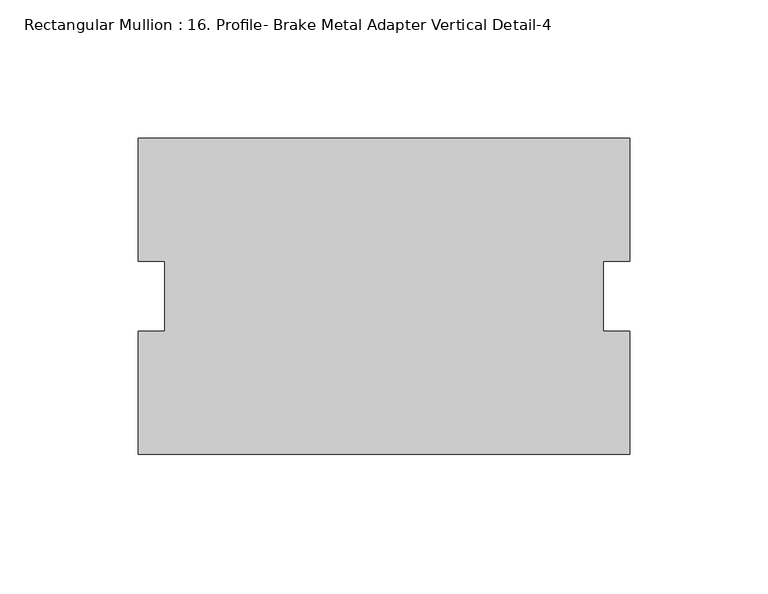
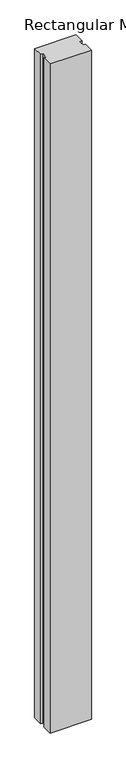
"""IFC4 building model written with IfcOpenShell, lengths in millimetres: member geometry, Rectangular Mullion : 16. Profile- Brake Metal Adapter Vertical Detail-4."""

from ifc_helpers import new_model, si_unit, frame, origin, place, context, project, spatial, polyline, outline, extrude, source, transform, mapped, element, save


def rectangular_mullion_16_profile_brake_metal_adapter_vertical_a9a593f2(model_context):
    return source(origin(), model_context, "Body", "SweptSolid", [
        extrude(outline(polyline([(88.9, -57.1389735), (-88.9, -57.1389735), (-88.9, -12.7438492), (-79.375, -12.7438492), (-79.375, 12.7438492), (-88.9, 12.7438492), (-88.9, 57.1611535), (88.9, 57.1611535), (88.9, 12.7438492), (79.375, 12.7438492), (79.375, -12.7438492), (88.9, -12.7438492), (88.9, -57.1389735)])), frame((0.0, 0.0, -3048.0), z_axis=(0.0, 0.0, 1.0), x_axis=(1.0, 0.0, 0.0)), (0.0, 0.0, 1.0), 3048.0),
    ])


if __name__ == "__main__":
    model = new_model("IFC4")
    model_context = context("Model", 3, world=origin())
    ifc_project = project(units=[si_unit("LENGTHUNIT", "METRE", prefix="MILLI")], contexts=[model_context])
    site = spatial("IfcSite", under=ifc_project)
    building = spatial("IfcBuilding", under=site)
    placement = place(None, origin())
    rectangular_mullion_16_profile_brake_metal_adapter_vertical_shape = rectangular_mullion_16_profile_brake_metal_adapter_vertical_a9a593f2(model_context)
    element("IfcMember", 1, ObjectType="Rectangular Mullion : 16. Profile- Brake Metal Adapter Vertical Detail-4", at=placement, inside=building, context=model_context, shape_type="MappedRepresentation", body=[
        mapped(rectangular_mullion_16_profile_brake_metal_adapter_vertical_shape, transform((0.0, 0.0, 0.0), x_axis=(1.0, 0.0, 0.0), y_axis=(0.0, 1.0, 0.0), z_axis=(0.0, 0.0, 1.0))),
    ])
    save(model, "model.ifc")
